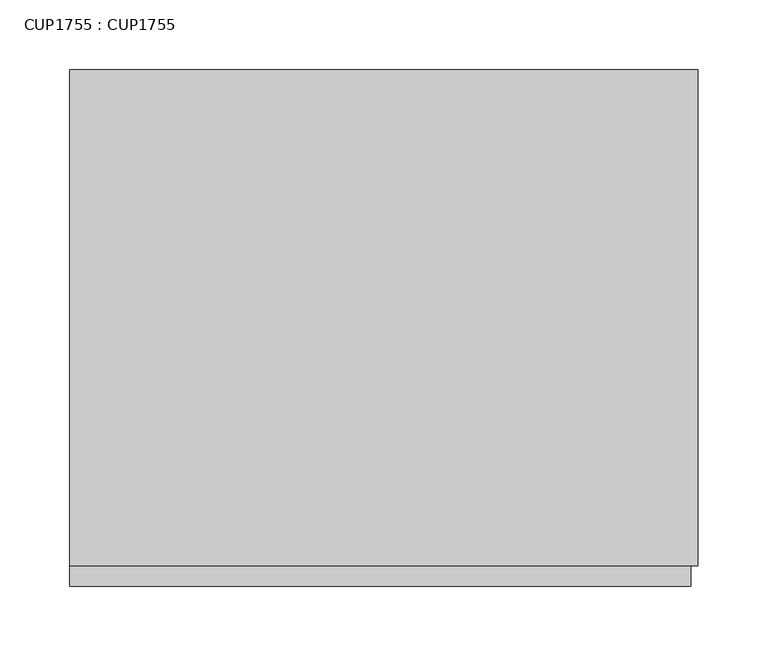
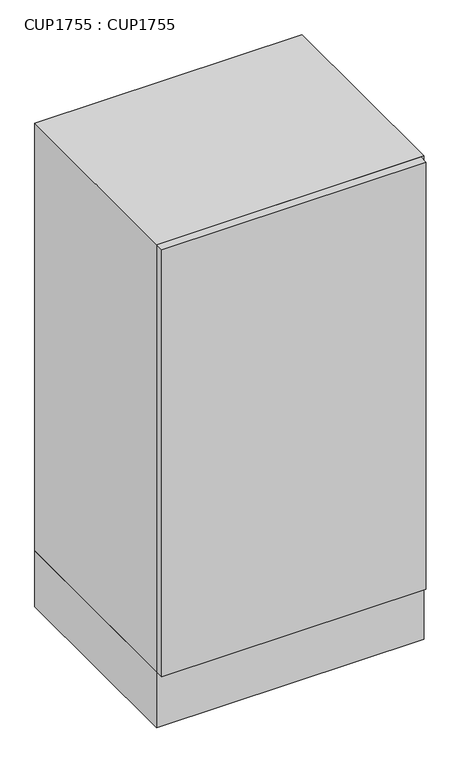
"""IFC4 building model written with IfcOpenShell, lengths in millimetres: proxy geometry, CUP1755 : CUP1755."""

from ifc_helpers import new_model, si_unit, frame, origin, origin_with_axes, place, context, project, spatial, polyline, outline, extrude, source, transform, mapped, element, save


def cup1755_cup1755_6efd374c(model_context):
    return source(origin(), model_context, "Body", "SweptSolid", [
        extrude(outline(polyline([(450.0, 0.0), (450.0, -355.0), (0.0, -355.0), (0.0, 0.0), (450.0, 0.0)])), frame((0.0, 0.0, 100.0), z_axis=(0.0, 0.0, 1.0), x_axis=(1.0, 0.0, 0.0)), (0.0, 0.0, 1.0), 760.0),
        extrude(outline(polyline([(0.0, -355.0), (445.0, -355.0), (445.0, -370.0), (0.0, -370.0), (0.0, -355.0)])), frame((0.0, 0.0, 100.0), z_axis=(0.0, 0.0, 1.0), x_axis=(1.0, 0.0, 0.0)), (0.0, 0.0, 1.0), 760.0),
        extrude(outline(polyline([(450.0, 0.0), (450.0, -355.0), (0.0, -355.0), (0.0, 0.0), (450.0, 0.0)])), origin_with_axes(), (0.0, 0.0, 1.0), 100.0),
    ])


if __name__ == "__main__":
    model = new_model("IFC4")
    model_context = context("Model", 3, world=origin())
    ifc_project = project(units=[si_unit("LENGTHUNIT", "METRE", prefix="MILLI")], contexts=[model_context])
    site = spatial("IfcSite", under=ifc_project)
    building = spatial("IfcBuilding", under=site)
    placement = place(None, origin())
    cup1755_cup1755_shape = cup1755_cup1755_6efd374c(model_context)
    element("IfcBuildingElementProxy", 1, Name="CUP1755 : CUP1755", ObjectType="CUP1755 : CUP1755", at=placement, inside=building, context=model_context, shape_type="MappedRepresentation", body=[
        mapped(cup1755_cup1755_shape, transform((0.0, 0.0, 0.0), x_axis=(1.0, 0.0, 0.0), y_axis=(0.0, 1.0, 0.0), z_axis=(0.0, 0.0, 1.0))),
    ])
    save(model, "model.ifc")
